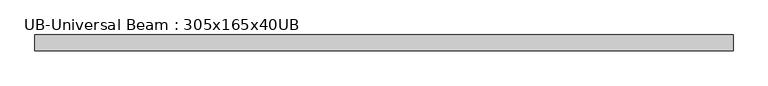
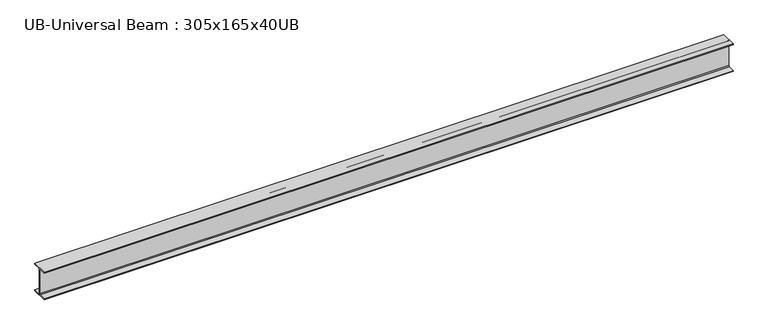
"""IFC4 building model written with IfcOpenShell, lengths in millimetres: beam geometry, UB-Universal Beam : 305x165x40UB."""

import ifcopenshell
import ifcopenshell.guid

model = None  # the IFC model being written
_history = None  # IfcOwnerHistory: only IFC2X3 demands one
_inside = {}  # id of a spatial element -> (the spatial element, [elements in it])
_under = {}  # id of a project, library or spatial element -> (it, [spatial elements below it])
_declared = {}  # id of a project -> (the project, [libraries it declares])
_typed = {}  # id of a type object -> (the type object, [elements of that type])
_made_of = {}  # id of a material, layer set ... -> (it, [elements and type objects made of it])


def new_model(schema):
    """Start an empty IFC model of exactly this schema.

    Asked for "IFC4X3", IfcOpenShell would pick the latest addendum, in which some entities
    have other attributes; the version numbers below select the first issue.
    IFC2X3 requires an IfcOwnerHistory on every rooted entity: one is made here for all.
    """
    global model, _history
    if schema == "IFC4X3":
        model = ifcopenshell.file(schema_version=(4, 3, 0, 0))
    else:
        model = ifcopenshell.file(schema=schema)
    _inside.clear()
    _under.clear()
    _declared.clear()
    _typed.clear()
    _made_of.clear()
    _history = None
    if model.schema == "IFC2X3":
        org = make("IfcOrganization", Name="unknown")
        user = make(
            "IfcPersonAndOrganization",
            ThePerson=make("IfcPerson", FamilyName="unknown"),
            TheOrganization=org,
        )
        app = make(
            "IfcApplication",
            ApplicationDeveloper=org,
            Version="unknown",
            ApplicationFullName="unknown",
            ApplicationIdentifier="unknown",
        )
        _history = make(
            "IfcOwnerHistory",
            OwningUser=user,
            OwningApplication=app,
            ChangeAction="ADDED",
            CreationDate=0,
        )
    return model


def make(cls, **values):
    """One entity of the class cls with the attributes given. An attribute that is None is left unset."""
    return model.create_entity(
        cls, **{name: value for name, value in values.items() if value is not None}
    )


def rooted(cls, **values):
    """An entity with a GlobalId (a new one), such as an element, a storey or a relation."""
    return make(cls, GlobalId=ifcopenshell.guid.new(), OwnerHistory=_history, **values)


def si_unit(unit_type, name, prefix=None):
    """IfcSIUnit, for example si_unit("LENGTHUNIT", "METRE", prefix="MILLI")."""
    return make("IfcSIUnit", UnitType=unit_type, Prefix=prefix, Name=name)


def assignment(units):
    """IfcUnitAssignment: the units of a project."""
    return None if units is None else make("IfcUnitAssignment", Units=units)


def point(xyz):
    """IfcCartesianPoint."""
    return None if xyz is None else make("IfcCartesianPoint", Coordinates=xyz)


def direction(xyz):
    """IfcDirection."""
    return None if xyz is None else make("IfcDirection", DirectionRatios=xyz)


def frame(location, z_axis=None, x_axis=None):
    """IfcAxis2Placement3D, a coordinate frame: its origin and axes. An axis left out is left unset."""
    return make(
        "IfcAxis2Placement3D",
        Location=point(location),
        Axis=direction(z_axis),
        RefDirection=direction(x_axis),
    )


def frame_2d(location, x_axis=None):
    """IfcAxis2Placement2D, a coordinate frame in the plane: its origin and x axis."""
    return make(
        "IfcAxis2Placement2D", Location=point(location), RefDirection=direction(x_axis)
    )


def origin():
    """The frame at (0, 0, 0) with its axes left unset."""
    return frame((0.0, 0.0, 0.0))


def place(relative_to, where):
    """IfcLocalPlacement: puts the frame where relative to a parent placement (None: the world)."""
    return make(
        "IfcLocalPlacement", PlacementRelTo=relative_to, RelativePlacement=where
    )


def context(
    kind, dimensions, precision=None, world=None, true_north=None, identifier=None
):
    """IfcGeometricRepresentationContext, for example the 3D "Model" context."""
    return make(
        "IfcGeometricRepresentationContext",
        ContextIdentifier=identifier,
        ContextType=kind,
        CoordinateSpaceDimension=dimensions,
        Precision=precision,
        WorldCoordinateSystem=world,
        TrueNorth=true_north,
    )


def project(units=None, contexts=None):
    """IfcProject with its units and contexts."""
    return rooted(
        "IfcProject",
        Name="project",
        RepresentationContexts=contexts,
        UnitsInContext=assignment(units),
    )


def spatial(cls, under=None, at=None, **own):
    """A site, building, storey or space (cls), placed at a placement, below another one or the project."""
    s = rooted(cls, ObjectPlacement=at, **own)
    if under is not None:
        _under.setdefault(under.id(), (under, []))[1].append(s)
    return s


def polyline(points):
    """IfcPolyline through the points."""
    return make("IfcPolyline", Points=[point(p) for p in points])


def circle_curve(where, radius):
    """IfcCircle in the frame where."""
    return make("IfcCircle", Position=where, Radius=radius)


def trimmed(basis, trim1, trim2, sense, master):
    """IfcTrimmedCurve: the piece of a basis curve between two trims."""
    return make(
        "IfcTrimmedCurve",
        BasisCurve=basis,
        Trim1=trim1,
        Trim2=trim2,
        SenseAgreement=sense,
        MasterRepresentation=master,
    )


def segment(curve, same_sense, transition):
    """IfcCompositeCurveSegment."""
    return make(
        "IfcCompositeCurveSegment",
        Transition=transition,
        SameSense=same_sense,
        ParentCurve=curve,
    )


def composite_curve(segments, self_intersect=None):
    """IfcCompositeCurve: segments joined end to end."""
    return make("IfcCompositeCurve", Segments=segments, SelfIntersect=self_intersect)


def outline(outer, holes=None, kind="AREA"):
    """IfcArbitraryClosedProfileDef: a profile drawn as a closed curve; with holes, ...WithVoids."""
    if holes is None:
        return make("IfcArbitraryClosedProfileDef", ProfileType=kind, OuterCurve=outer)
    return make(
        "IfcArbitraryProfileDefWithVoids",
        ProfileType=kind,
        OuterCurve=outer,
        InnerCurves=holes,
    )


def extrude(swept, where, along, depth):
    """IfcExtrudedAreaSolid: the profile swept, set in the frame where, extruded along a direction by depth."""
    return make(
        "IfcExtrudedAreaSolid",
        SweptArea=swept,
        Position=where,
        ExtrudedDirection=direction(along),
        Depth=depth,
    )


def shape(context_of_items, identifier, shape_type, items):
    """IfcShapeRepresentation: the items that make up one representation, for example the "Body"."""
    return make(
        "IfcShapeRepresentation",
        ContextOfItems=context_of_items,
        RepresentationIdentifier=identifier,
        RepresentationType=shape_type,
        Items=items,
    )


def source(mapping_origin, context_of_items, identifier, shape_type, items):
    """IfcRepresentationMap: a shape defined once, which mapped items show again and again."""
    return make(
        "IfcRepresentationMap",
        MappingOrigin=mapping_origin,
        MappedRepresentation=shape(context_of_items, identifier, shape_type, items),
    )


def transform(
    local_origin,
    x_axis=None,
    y_axis=None,
    z_axis=None,
    scale=None,
    scale2=None,
    scale3=None,
    uniform=True,
):
    """IfcCartesianTransformationOperator3D, or its non-uniform kind. x_axis, y_axis, z_axis: its Axis1, 2, 3."""
    if uniform:
        return make(
            "IfcCartesianTransformationOperator3D",
            Axis1=direction(x_axis),
            Axis2=direction(y_axis),
            LocalOrigin=point(local_origin),
            Scale=scale,
            Axis3=direction(z_axis),
        )
    return make(
        "IfcCartesianTransformationOperator3DnonUniform",
        Axis1=direction(x_axis),
        Axis2=direction(y_axis),
        LocalOrigin=point(local_origin),
        Scale=scale,
        Axis3=direction(z_axis),
        Scale2=scale2,
        Scale3=scale3,
    )


def mapped(mapping_source, mapping_target):
    """IfcMappedItem: shows the shape of a source again, moved by a transform."""
    return make(
        "IfcMappedItem", MappingSource=mapping_source, MappingTarget=mapping_target
    )


def made_of(thing, what):
    """Note that an element or type object is made of a material, layer set ...; save() writes the relation."""
    if what is not None:
        _made_of.setdefault(what.id(), (what, []))[1].append(thing)
    return thing


def element(
    cls,
    number,
    at=None,
    inside=None,
    cuts=None,
    type_object=None,
    material=None,
    context=None,
    identifier="Body",
    shape_type=None,
    held_by="IfcProductDefinitionShape",
    body=None,
    shapes=None,
    **own,
):
    """One element of the class cls, such as IfcWall. Its Tag is "e" and its number.

    at: its placement. inside: the storey or other place that contains it. cuts: it is an
    opening in that element (IfcRelVoidsElement). A single representation is given by context,
    identifier, shape_type and body (its items); several are given by shapes. held_by: the class
    of the entity that holds the representations. save() writes the other relations.
    """
    e = rooted(cls, Tag="e%d" % number, ObjectPlacement=at, **own)
    if body is not None:
        shapes = [shape(context, identifier, shape_type, body)]
    if shapes is not None:
        e.Representation = make(held_by, Representations=shapes)
    if inside is not None:
        _inside.setdefault(inside.id(), (inside, []))[1].append(e)
    if cuts is not None:
        rooted(
            "IfcRelVoidsElement", RelatingBuildingElement=cuts, RelatedOpeningElement=e
        )
    if type_object is not None:
        _typed.setdefault(type_object.id(), (type_object, []))[1].append(e)
    return made_of(e, material)


def aggregate(whole, parts):
    """IfcRelAggregates: a whole, such as a stair, and the parts it consists of."""
    return rooted("IfcRelAggregates", RelatingObject=whole, RelatedObjects=parts)


def save(model, path):
    """Write the relations noted so far, then the file.

    IfcRelAggregates (storeys below a building ...), IfcRelContainedInSpatialStructure (elements
    in a storey), IfcRelDefinesByType, IfcRelAssociatesMaterial and IfcRelDeclares: one each for
    every whole, place, type object, material and project.
    """
    for whole, parts in _under.values():
        aggregate(whole, parts)
    for where, things in _inside.values():
        rooted(
            "IfcRelContainedInSpatialStructure",
            RelatedElements=things,
            RelatingStructure=where,
        )
    for kind, things in _typed.values():
        rooted("IfcRelDefinesByType", RelatedObjects=things, RelatingType=kind)
    for what, things in _made_of.values():
        rooted("IfcRelAssociatesMaterial", RelatedObjects=things, RelatingMaterial=what)
    for by, libraries in _declared.values():
        rooted("IfcRelDeclares", RelatingContext=by, RelatedDefinitions=libraries)
    model.write(path)


def ub_universal_beam_305x165x40ub_5ba8b5e7(model_context):
    return source(origin(), model_context, "Body", "SweptSolid", [
        extrude(outline(composite_curve([segment(polyline([(82.5, -141.5), (82.5, -151.7), (-82.5, -151.7), (-82.5, -141.5), (-11.9, -141.5)]), True, "CONTINUOUS"), segment(trimmed(circle_curve(frame_2d((-11.9, -132.6)), 8.9), [point((-11.9, -141.5))], [point((-3.0, -132.6))], True, "CARTESIAN"), True, "CONTINUOUS"), segment(polyline([(-3.0, -132.6), (-3.0, 132.6)]), True, "CONTINUOUS"), segment(trimmed(circle_curve(frame_2d((-11.9, 132.6)), 8.9), [point((-3.0, 132.6))], [point((-11.9, 141.5))], True, "CARTESIAN"), True, "CONTINUOUS"), segment(polyline([(-11.9, 141.5), (-82.5, 141.5), (-82.5, 151.7), (82.5, 151.7), (82.5, 141.5), (11.9, 141.5)]), True, "CONTINUOUS"), segment(trimmed(circle_curve(frame_2d((11.9, 132.6)), 8.9), [point((11.9, 141.5))], [point((3.0, 132.6))], True, "CARTESIAN"), True, "CONTINUOUS"), segment(polyline([(3.0, 132.6), (3.0, -132.6)]), True, "CONTINUOUS"), segment(trimmed(circle_curve(frame_2d((11.9, -132.6)), 8.9), [point((3.0, -132.6))], [point((11.9, -141.5))], True, "CARTESIAN"), True, "CONTINUOUS"), segment(polyline([(11.9, -141.5), (82.5, -141.5)]), True, "CONTINUOUS")], self_intersect=False)), frame((-3600.7, 0.0, 0.0), z_axis=(1.0, 0.0, 0.0), x_axis=(0.0, 1.0, 0.0)), (0.0, 0.0, 1.0), 7201.4),
    ])


if __name__ == "__main__":
    model = new_model("IFC4")
    model_context = context("Model", 3, world=origin())
    ifc_project = project(units=[si_unit("LENGTHUNIT", "METRE", prefix="MILLI")], contexts=[model_context])
    site = spatial("IfcSite", under=ifc_project)
    building = spatial("IfcBuilding", under=site)
    placement = place(None, origin())
    ub_universal_beam_305x165x40ub_shape = ub_universal_beam_305x165x40ub_5ba8b5e7(model_context)
    element("IfcBeam", 1, ObjectType="UB-Universal Beam : 305x165x40UB", at=placement, inside=building, context=model_context, shape_type="MappedRepresentation", body=[
        mapped(ub_universal_beam_305x165x40ub_shape, transform((0.0, 0.0, 0.0), x_axis=(1.0, 0.0, 0.0), y_axis=(0.0, 1.0, 0.0), z_axis=(0.0, 0.0, 1.0))),
    ])
    save(model, "model.ifc")
